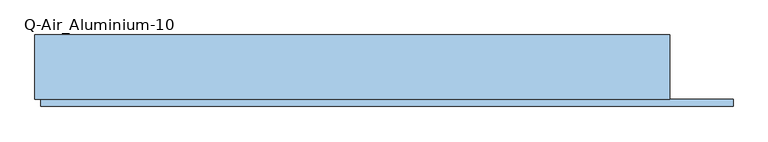
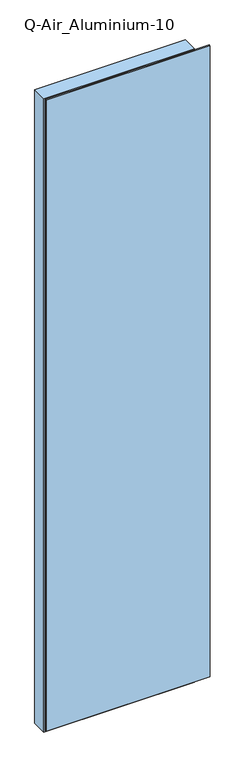
"""IFC4 building model written with IfcOpenShell, lengths in millimetres: window geometry, Q-Air_Aluminium-10."""

import ifcopenshell
import ifcopenshell.guid

model = None  # the IFC model being written
_history = None  # IfcOwnerHistory: only IFC2X3 demands one
_inside = {}  # id of a spatial element -> (the spatial element, [elements in it])
_under = {}  # id of a project, library or spatial element -> (it, [spatial elements below it])
_declared = {}  # id of a project -> (the project, [libraries it declares])
_typed = {}  # id of a type object -> (the type object, [elements of that type])
_made_of = {}  # id of a material, layer set ... -> (it, [elements and type objects made of it])


def new_model(schema):
    """Start an empty IFC model of exactly this schema.

    Asked for "IFC4X3", IfcOpenShell would pick the latest addendum, in which some entities
    have other attributes; the version numbers below select the first issue.
    IFC2X3 requires an IfcOwnerHistory on every rooted entity: one is made here for all.
    """
    global model, _history
    if schema == "IFC4X3":
        model = ifcopenshell.file(schema_version=(4, 3, 0, 0))
    else:
        model = ifcopenshell.file(schema=schema)
    _inside.clear()
    _under.clear()
    _declared.clear()
    _typed.clear()
    _made_of.clear()
    _history = None
    if model.schema == "IFC2X3":
        org = make("IfcOrganization", Name="unknown")
        user = make(
            "IfcPersonAndOrganization",
            ThePerson=make("IfcPerson", FamilyName="unknown"),
            TheOrganization=org,
        )
        app = make(
            "IfcApplication",
            ApplicationDeveloper=org,
            Version="unknown",
            ApplicationFullName="unknown",
            ApplicationIdentifier="unknown",
        )
        _history = make(
            "IfcOwnerHistory",
            OwningUser=user,
            OwningApplication=app,
            ChangeAction="ADDED",
            CreationDate=0,
        )
    return model


def make(cls, **values):
    """One entity of the class cls with the attributes given. An attribute that is None is left unset."""
    return model.create_entity(
        cls, **{name: value for name, value in values.items() if value is not None}
    )


def rooted(cls, **values):
    """An entity with a GlobalId (a new one), such as an element, a storey or a relation."""
    return make(cls, GlobalId=ifcopenshell.guid.new(), OwnerHistory=_history, **values)


def si_unit(unit_type, name, prefix=None):
    """IfcSIUnit, for example si_unit("LENGTHUNIT", "METRE", prefix="MILLI")."""
    return make("IfcSIUnit", UnitType=unit_type, Prefix=prefix, Name=name)


def assignment(units):
    """IfcUnitAssignment: the units of a project."""
    return None if units is None else make("IfcUnitAssignment", Units=units)


def point(xyz):
    """IfcCartesianPoint."""
    return None if xyz is None else make("IfcCartesianPoint", Coordinates=xyz)


def direction(xyz):
    """IfcDirection."""
    return None if xyz is None else make("IfcDirection", DirectionRatios=xyz)


def frame(location, z_axis=None, x_axis=None):
    """IfcAxis2Placement3D, a coordinate frame: its origin and axes. An axis left out is left unset."""
    return make(
        "IfcAxis2Placement3D",
        Location=point(location),
        Axis=direction(z_axis),
        RefDirection=direction(x_axis),
    )


def origin():
    """The frame at (0, 0, 0) with its axes left unset."""
    return frame((0.0, 0.0, 0.0))


def place(relative_to, where):
    """IfcLocalPlacement: puts the frame where relative to a parent placement (None: the world)."""
    return make(
        "IfcLocalPlacement", PlacementRelTo=relative_to, RelativePlacement=where
    )


def context(
    kind, dimensions, precision=None, world=None, true_north=None, identifier=None
):
    """IfcGeometricRepresentationContext, for example the 3D "Model" context."""
    return make(
        "IfcGeometricRepresentationContext",
        ContextIdentifier=identifier,
        ContextType=kind,
        CoordinateSpaceDimension=dimensions,
        Precision=precision,
        WorldCoordinateSystem=world,
        TrueNorth=true_north,
    )


def project(units=None, contexts=None):
    """IfcProject with its units and contexts."""
    return rooted(
        "IfcProject",
        Name="project",
        RepresentationContexts=contexts,
        UnitsInContext=assignment(units),
    )


def spatial(cls, under=None, at=None, **own):
    """A site, building, storey or space (cls), placed at a placement, below another one or the project."""
    s = rooted(cls, ObjectPlacement=at, **own)
    if under is not None:
        _under.setdefault(under.id(), (under, []))[1].append(s)
    return s


def polyline(points):
    """IfcPolyline through the points."""
    return make("IfcPolyline", Points=[point(p) for p in points])


def outline(outer, holes=None, kind="AREA"):
    """IfcArbitraryClosedProfileDef: a profile drawn as a closed curve; with holes, ...WithVoids."""
    if holes is None:
        return make("IfcArbitraryClosedProfileDef", ProfileType=kind, OuterCurve=outer)
    return make(
        "IfcArbitraryProfileDefWithVoids",
        ProfileType=kind,
        OuterCurve=outer,
        InnerCurves=holes,
    )


def extrude(swept, where, along, depth):
    """IfcExtrudedAreaSolid: the profile swept, set in the frame where, extruded along a direction by depth."""
    return make(
        "IfcExtrudedAreaSolid",
        SweptArea=swept,
        Position=where,
        ExtrudedDirection=direction(along),
        Depth=depth,
    )


def shape(context_of_items, identifier, shape_type, items):
    """IfcShapeRepresentation: the items that make up one representation, for example the "Body"."""
    return make(
        "IfcShapeRepresentation",
        ContextOfItems=context_of_items,
        RepresentationIdentifier=identifier,
        RepresentationType=shape_type,
        Items=items,
    )


def source(mapping_origin, context_of_items, identifier, shape_type, items):
    """IfcRepresentationMap: a shape defined once, which mapped items show again and again."""
    return make(
        "IfcRepresentationMap",
        MappingOrigin=mapping_origin,
        MappedRepresentation=shape(context_of_items, identifier, shape_type, items),
    )


def transform(
    local_origin,
    x_axis=None,
    y_axis=None,
    z_axis=None,
    scale=None,
    scale2=None,
    scale3=None,
    uniform=True,
):
    """IfcCartesianTransformationOperator3D, or its non-uniform kind. x_axis, y_axis, z_axis: its Axis1, 2, 3."""
    if uniform:
        return make(
            "IfcCartesianTransformationOperator3D",
            Axis1=direction(x_axis),
            Axis2=direction(y_axis),
            LocalOrigin=point(local_origin),
            Scale=scale,
            Axis3=direction(z_axis),
        )
    return make(
        "IfcCartesianTransformationOperator3DnonUniform",
        Axis1=direction(x_axis),
        Axis2=direction(y_axis),
        LocalOrigin=point(local_origin),
        Scale=scale,
        Axis3=direction(z_axis),
        Scale2=scale2,
        Scale3=scale3,
    )


def mapped(mapping_source, mapping_target):
    """IfcMappedItem: shows the shape of a source again, moved by a transform."""
    return make(
        "IfcMappedItem", MappingSource=mapping_source, MappingTarget=mapping_target
    )


def made_of(thing, what):
    """Note that an element or type object is made of a material, layer set ...; save() writes the relation."""
    if what is not None:
        _made_of.setdefault(what.id(), (what, []))[1].append(thing)
    return thing


def element(
    cls,
    number,
    at=None,
    inside=None,
    cuts=None,
    type_object=None,
    material=None,
    context=None,
    identifier="Body",
    shape_type=None,
    held_by="IfcProductDefinitionShape",
    body=None,
    shapes=None,
    **own,
):
    """One element of the class cls, such as IfcWall. Its Tag is "e" and its number.

    at: its placement. inside: the storey or other place that contains it. cuts: it is an
    opening in that element (IfcRelVoidsElement). A single representation is given by context,
    identifier, shape_type and body (its items); several are given by shapes. held_by: the class
    of the entity that holds the representations. save() writes the other relations.
    """
    e = rooted(cls, Tag="e%d" % number, ObjectPlacement=at, **own)
    if body is not None:
        shapes = [shape(context, identifier, shape_type, body)]
    if shapes is not None:
        e.Representation = make(held_by, Representations=shapes)
    if inside is not None:
        _inside.setdefault(inside.id(), (inside, []))[1].append(e)
    if cuts is not None:
        rooted(
            "IfcRelVoidsElement", RelatingBuildingElement=cuts, RelatedOpeningElement=e
        )
    if type_object is not None:
        _typed.setdefault(type_object.id(), (type_object, []))[1].append(e)
    return made_of(e, material)


def aggregate(whole, parts):
    """IfcRelAggregates: a whole, such as a stair, and the parts it consists of."""
    return rooted("IfcRelAggregates", RelatingObject=whole, RelatedObjects=parts)


def save(model, path):
    """Write the relations noted so far, then the file.

    IfcRelAggregates (storeys below a building ...), IfcRelContainedInSpatialStructure (elements
    in a storey), IfcRelDefinesByType, IfcRelAssociatesMaterial and IfcRelDeclares: one each for
    every whole, place, type object, material and project.
    """
    for whole, parts in _under.values():
        aggregate(whole, parts)
    for where, things in _inside.values():
        rooted(
            "IfcRelContainedInSpatialStructure",
            RelatedElements=things,
            RelatingStructure=where,
        )
    for kind, things in _typed.values():
        rooted("IfcRelDefinesByType", RelatedObjects=things, RelatingType=kind)
    for what, things in _made_of.values():
        rooted("IfcRelAssociatesMaterial", RelatedObjects=things, RelatingMaterial=what)
    for by, libraries in _declared.values():
        rooted("IfcRelDeclares", RelatingContext=by, RelatedDefinitions=libraries)
    model.write(path)


def q_air_aluminium_10_20a3d8ec(model_context):
    return source(origin(), model_context, "Body", "SweptSolid", [
        extrude(outline(polyline([(5020.0, 565.0000001), (5020.0, -565.0000001), (0.0, -565.0000001), (0.0, 565.0000001), (5020.0, 565.0000001)]), holes=[polyline([(4962.0, 507.0000001), (58.0, 507.0000001), (58.0, -507.0000001), (4962.0, -507.0000001), (4962.0, 507.0000001)])]), frame((0.0, -114.5, 0.0), z_axis=(0.0, 1.0, 0.0), x_axis=(0.0, 0.0, 1.0)), (0.0, 0.0, 1.0), 114.5),
        extrude(outline(polyline([(507.0000001, 0.0), (507.0000001, -12.5), (-507.0000001, -12.5), (-507.0000001, 0.0), (507.0000001, 0.0)])), frame((0.0, 0.0, 58.0), z_axis=(0.0, 0.0, 1.0), x_axis=(1.0, 0.0, 0.0)), (0.0, 0.0, 1.0), 4904.0),
        extrude(outline(polyline([(677.4000001, -114.5), (677.4000001, -127.0), (-555.0000001, -127.0), (-555.0000001, -114.5), (677.4000001, -114.5)])), frame((0.0, 0.0, 10.0), z_axis=(0.0, 0.0, 1.0), x_axis=(1.0, 0.0, 0.0)), (0.0, 0.0, 1.0), 5000.0),
        extrude(outline(polyline([(5010.0, 677.4000001), (5010.0, -555.0000001), (10.0, -555.0000001), (10.0, 677.4000001), (5010.0, 677.4000001)]), holes=[polyline([(4962.0, 507.0000001), (58.0, 507.0000001), (58.0, -507.0000001), (4962.0, -507.0000001), (4962.0, 507.0000001)])]), frame((0.0, -118.5, 0.0), z_axis=(0.0, 1.0, 0.0), x_axis=(0.0, 0.0, 1.0)), (0.0, 0.0, 1.0), 4.0),
    ])


if __name__ == "__main__":
    model = new_model("IFC4")
    model_context = context("Model", 3, world=origin())
    ifc_project = project(units=[si_unit("LENGTHUNIT", "METRE", prefix="MILLI")], contexts=[model_context])
    site = spatial("IfcSite", under=ifc_project)
    building = spatial("IfcBuilding", under=site)
    placement = place(None, origin())
    q_air_aluminium_10_shape = q_air_aluminium_10_20a3d8ec(model_context)
    element("IfcWindow", 1, ObjectType="Q-Air_Aluminium-10", at=placement, inside=building, context=model_context, shape_type="MappedRepresentation", body=[
        mapped(q_air_aluminium_10_shape, transform((0.0, 0.0, 0.0), x_axis=(1.0, 0.0, 0.0), y_axis=(0.0, 1.0, 0.0), z_axis=(0.0, 0.0, 1.0))),
    ])
    save(model, "model.ifc")
